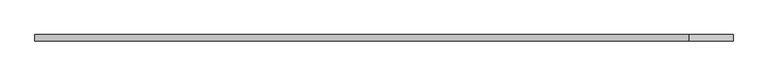
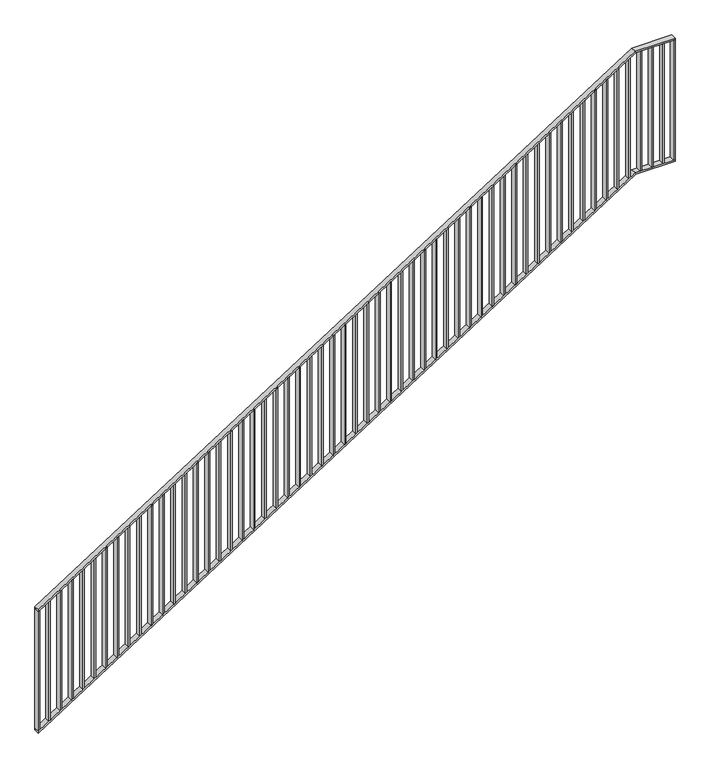
"""IFC4 building model written with IfcOpenShell, lengths in millimetres: railing geometry."""

from ifc_helpers import new_model, si_unit, frame, origin, place, context, project, spatial, polyline, outline, extrude, faceted_brep, source, transform, mapped, element, save


def railing_edb40e4a(model_context):
    return source(origin(), model_context, "Body", "SolidModel", [
        faceted_brep([(20020.0, -14.6, 1178.125), (20020.0, 25.4, 1178.125), (20020.0, 25.4, 1166.2576574), (20020.0, -14.6, 1166.2576574), (24201.25, -14.6, 3850.0), (24201.25, 25.4, 3850.0), (24204.1722273, 25.4, 3840.0), (24204.1722273, -14.6, 3840.0), (24480.0, -14.6, 3850.0), (24480.0, -14.6, 3840.0), (24480.0, 25.4, 3840.0), (24480.0, 25.4, 3850.0)], [[[0, 1, 2, 3]], [[1, 0, 4, 5]], [[2, 1, 5, 6]], [[3, 2, 6, 7]], [[0, 3, 7, 4]], [[8, 9, 10, 11]], [[5, 4, 8, 11]], [[6, 5, 11, 10]], [[7, 6, 10, 9]], [[4, 7, 9, 8]]]),
        faceted_brep([(20020.0, -14.6, 278.125), (20020.0, 25.4, 278.125), (20020.0, 25.4, 266.2576574), (20020.0, -14.6, 266.2576574), (24201.25, -14.6, 2950.0), (24201.25, 25.4, 2950.0), (24204.1722273, 25.4, 2940.0), (24204.1722273, -14.6, 2940.0), (24480.0, -14.6, 2950.0), (24480.0, -14.6, 2940.0), (24480.0, 25.4, 2940.0), (24480.0, 25.4, 2950.0)], [[[0, 1, 2, 3]], [[1, 0, 4, 5]], [[2, 1, 5, 6]], [[3, 2, 6, 7]], [[0, 3, 7, 4]], [[8, 9, 10, 11]], [[5, 4, 8, 11]], [[6, 5, 11, 10]], [[7, 6, 10, 9]], [[4, 7, 9, 8]]]),
        extrude(outline(polyline([(24395.3571429, -14.6), (24395.3571429, 25.4), (24405.3571429, 25.4), (24405.3571429, -14.6), (24395.3571429, -14.6)])), frame((0.0, 0.0, 2950.0), z_axis=(0.0, 0.0, 1.0), x_axis=(1.0, 0.0, 0.0)), (0.0, 0.0, 1.0), 890.0),
        extrude(outline(polyline([(24315.7142857, -14.6), (24315.7142857, 25.4), (24325.7142857, 25.4), (24325.7142857, -14.6), (24315.7142857, -14.6)])), frame((0.0, 0.0, 2950.0), z_axis=(0.0, 0.0, 1.0), x_axis=(1.0, 0.0, 0.0)), (0.0, 0.0, 1.0), 890.0),
        extrude(outline(polyline([(24236.0714286, -14.6), (24236.0714286, 25.4), (24246.0714286, 25.4), (24246.0714286, -14.6), (24236.0714286, -14.6)])), frame((0.0, 0.0, 2950.0), z_axis=(0.0, 0.0, 1.0), x_axis=(1.0, 0.0, 0.0)), (0.0, 0.0, 1.0), 890.0),
        extrude(outline(polyline([(3811.3585042, 24156.4285714), (2921.3585042, 24156.4285714), (2927.7486387, 24166.4285714), (3817.7486387, 24166.4285714), (3811.3585042, 24156.4285714)])), frame((0.0, -14.6, 0.0), z_axis=(0.0, 1.0, 0.0), x_axis=(0.0, 0.0, 1.0)), (0.0, 0.0, 1.0), 40.0),
        extrude(outline(polyline([(3760.465647, 24076.7857143), (2870.465647, 24076.7857143), (2876.8557816, 24086.7857143), (3766.8557816, 24086.7857143), (3760.465647, 24076.7857143)])), frame((0.0, -14.6, 0.0), z_axis=(0.0, 1.0, 0.0), x_axis=(0.0, 0.0, 1.0)), (0.0, 0.0, 1.0), 40.0),
        extrude(outline(polyline([(3709.5727899, 23997.1428571), (2819.5727899, 23997.1428571), (2825.9629244, 24007.1428571), (3715.9629244, 24007.1428571), (3709.5727899, 23997.1428571)])), frame((0.0, -14.6, 0.0), z_axis=(0.0, 1.0, 0.0), x_axis=(0.0, 0.0, 1.0)), (0.0, 0.0, 1.0), 40.0),
        extrude(outline(polyline([(3658.6799327, 23917.5), (2768.6799327, 23917.5), (2775.0700673, 23927.5), (3665.0700673, 23927.5), (3658.6799327, 23917.5)])), frame((0.0, -14.6, 0.0), z_axis=(0.0, 1.0, 0.0), x_axis=(0.0, 0.0, 1.0)), (0.0, 0.0, 1.0), 40.0),
        extrude(outline(polyline([(3607.7870756, 23837.8571429), (2717.7870756, 23837.8571429), (2724.1772101, 23847.8571429), (3614.1772101, 23847.8571429), (3607.7870756, 23837.8571429)])), frame((0.0, -14.6, 0.0), z_axis=(0.0, 1.0, 0.0), x_axis=(0.0, 0.0, 1.0)), (0.0, 0.0, 1.0), 40.0),
        extrude(outline(polyline([(3556.8942184, 23758.2142857), (2666.8942184, 23758.2142857), (2673.284353, 23768.2142857), (3563.284353, 23768.2142857), (3556.8942184, 23758.2142857)])), frame((0.0, -14.6, 0.0), z_axis=(0.0, 1.0, 0.0), x_axis=(0.0, 0.0, 1.0)), (0.0, 0.0, 1.0), 40.0),
        extrude(outline(polyline([(3506.0013613, 23678.5714286), (2616.0013613, 23678.5714286), (2622.3914958, 23688.5714286), (3512.3914958, 23688.5714286), (3506.0013613, 23678.5714286)])), frame((0.0, -14.6, 0.0), z_axis=(0.0, 1.0, 0.0), x_axis=(0.0, 0.0, 1.0)), (0.0, 0.0, 1.0), 40.0),
        extrude(outline(polyline([(3455.1085042, 23598.9285714), (2565.1085042, 23598.9285714), (2571.4986387, 23608.9285714), (3461.4986387, 23608.9285714), (3455.1085042, 23598.9285714)])), frame((0.0, -14.6, 0.0), z_axis=(0.0, 1.0, 0.0), x_axis=(0.0, 0.0, 1.0)), (0.0, 0.0, 1.0), 40.0),
        extrude(outline(polyline([(3404.215647, 23519.2857143), (2514.215647, 23519.2857143), (2520.6057816, 23529.2857143), (3410.6057816, 23529.2857143), (3404.215647, 23519.2857143)])), frame((0.0, -14.6, 0.0), z_axis=(0.0, 1.0, 0.0), x_axis=(0.0, 0.0, 1.0)), (0.0, 0.0, 1.0), 40.0),
        extrude(outline(polyline([(3353.3227899, 23439.6428571), (2463.3227899, 23439.6428571), (2469.7129244, 23449.6428571), (3359.7129244, 23449.6428571), (3353.3227899, 23439.6428571)])), frame((0.0, -14.6, 0.0), z_axis=(0.0, 1.0, 0.0), x_axis=(0.0, 0.0, 1.0)), (0.0, 0.0, 1.0), 40.0),
        extrude(outline(polyline([(3302.4299327, 23360.0), (2412.4299327, 23360.0), (2418.8200673, 23370.0), (3308.8200673, 23370.0), (3302.4299327, 23360.0)])), frame((0.0, -14.6, 0.0), z_axis=(0.0, 1.0, 0.0), x_axis=(0.0, 0.0, 1.0)), (0.0, 0.0, 1.0), 40.0),
        extrude(outline(polyline([(3251.5370756, 23280.3571429), (2361.5370756, 23280.3571429), (2367.9272101, 23290.3571429), (3257.9272101, 23290.3571429), (3251.5370756, 23280.3571429)])), frame((0.0, -14.6, 0.0), z_axis=(0.0, 1.0, 0.0), x_axis=(0.0, 0.0, 1.0)), (0.0, 0.0, 1.0), 40.0),
        extrude(outline(polyline([(3200.6442184, 23200.7142857), (2310.6442184, 23200.7142857), (2317.034353, 23210.7142857), (3207.034353, 23210.7142857), (3200.6442184, 23200.7142857)])), frame((0.0, -14.6, 0.0), z_axis=(0.0, 1.0, 0.0), x_axis=(0.0, 0.0, 1.0)), (0.0, 0.0, 1.0), 40.0),
        extrude(outline(polyline([(3149.7513613, 23121.0714286), (2259.7513613, 23121.0714286), (2266.1414958, 23131.0714286), (3156.1414958, 23131.0714286), (3149.7513613, 23121.0714286)])), frame((0.0, -14.6, 0.0), z_axis=(0.0, 1.0, 0.0), x_axis=(0.0, 0.0, 1.0)), (0.0, 0.0, 1.0), 40.0),
        extrude(outline(polyline([(3098.8585042, 23041.4285714), (2208.8585042, 23041.4285714), (2215.2486387, 23051.4285714), (3105.2486387, 23051.4285714), (3098.8585042, 23041.4285714)])), frame((0.0, -14.6, 0.0), z_axis=(0.0, 1.0, 0.0), x_axis=(0.0, 0.0, 1.0)), (0.0, 0.0, 1.0), 40.0),
        extrude(outline(polyline([(3047.965647, 22961.7857143), (2157.965647, 22961.7857143), (2164.3557816, 22971.7857143), (3054.3557816, 22971.7857143), (3047.965647, 22961.7857143)])), frame((0.0, -14.6, 0.0), z_axis=(0.0, 1.0, 0.0), x_axis=(0.0, 0.0, 1.0)), (0.0, 0.0, 1.0), 40.0),
        extrude(outline(polyline([(2997.0727899, 22882.1428571), (2107.0727899, 22882.1428571), (2113.4629244, 22892.1428571), (3003.4629244, 22892.1428571), (2997.0727899, 22882.1428571)])), frame((0.0, -14.6, 0.0), z_axis=(0.0, 1.0, 0.0), x_axis=(0.0, 0.0, 1.0)), (0.0, 0.0, 1.0), 40.0),
        extrude(outline(polyline([(2946.1799327, 22802.5), (2056.1799327, 22802.5), (2062.5700673, 22812.5), (2952.5700673, 22812.5), (2946.1799327, 22802.5)])), frame((0.0, -14.6, 0.0), z_axis=(0.0, 1.0, 0.0), x_axis=(0.0, 0.0, 1.0)), (0.0, 0.0, 1.0), 40.0),
        extrude(outline(polyline([(2895.2870756, 22722.8571429), (2005.2870756, 22722.8571429), (2011.6772101, 22732.8571429), (2901.6772101, 22732.8571429), (2895.2870756, 22722.8571429)])), frame((0.0, -14.6, 0.0), z_axis=(0.0, 1.0, 0.0), x_axis=(0.0, 0.0, 1.0)), (0.0, 0.0, 1.0), 40.0),
        extrude(outline(polyline([(2844.3942184, 22643.2142857), (1954.3942184, 22643.2142857), (1960.784353, 22653.2142857), (2850.784353, 22653.2142857), (2844.3942184, 22643.2142857)])), frame((0.0, -14.6, 0.0), z_axis=(0.0, 1.0, 0.0), x_axis=(0.0, 0.0, 1.0)), (0.0, 0.0, 1.0), 40.0),
        extrude(outline(polyline([(2793.5013613, 22563.5714286), (1903.5013613, 22563.5714286), (1909.8914958, 22573.5714286), (2799.8914958, 22573.5714286), (2793.5013613, 22563.5714286)])), frame((0.0, -14.6, 0.0), z_axis=(0.0, 1.0, 0.0), x_axis=(0.0, 0.0, 1.0)), (0.0, 0.0, 1.0), 40.0),
        extrude(outline(polyline([(2742.6085042, 22483.9285714), (1852.6085042, 22483.9285714), (1858.9986387, 22493.9285714), (2748.9986387, 22493.9285714), (2742.6085042, 22483.9285714)])), frame((0.0, -14.6, 0.0), z_axis=(0.0, 1.0, 0.0), x_axis=(0.0, 0.0, 1.0)), (0.0, 0.0, 1.0), 40.0),
        extrude(outline(polyline([(2691.715647, 22404.2857143), (1801.715647, 22404.2857143), (1808.1057816, 22414.2857143), (2698.1057816, 22414.2857143), (2691.715647, 22404.2857143)])), frame((0.0, -14.6, 0.0), z_axis=(0.0, 1.0, 0.0), x_axis=(0.0, 0.0, 1.0)), (0.0, 0.0, 1.0), 40.0),
        extrude(outline(polyline([(2640.8227899, 22324.6428571), (1750.8227899, 22324.6428571), (1757.2129244, 22334.6428571), (2647.2129244, 22334.6428571), (2640.8227899, 22324.6428571)])), frame((0.0, -14.6, 0.0), z_axis=(0.0, 1.0, 0.0), x_axis=(0.0, 0.0, 1.0)), (0.0, 0.0, 1.0), 40.0),
        extrude(outline(polyline([(2589.9299327, 22245.0), (1699.9299327, 22245.0), (1706.3200673, 22255.0), (2596.3200673, 22255.0), (2589.9299327, 22245.0)])), frame((0.0, -14.6, 0.0), z_axis=(0.0, 1.0, 0.0), x_axis=(0.0, 0.0, 1.0)), (0.0, 0.0, 1.0), 40.0),
        extrude(outline(polyline([(2539.0370756, 22165.3571429), (1649.0370756, 22165.3571429), (1655.4272101, 22175.3571429), (2545.4272101, 22175.3571429), (2539.0370756, 22165.3571429)])), frame((0.0, -14.6, 0.0), z_axis=(0.0, 1.0, 0.0), x_axis=(0.0, 0.0, 1.0)), (0.0, 0.0, 1.0), 40.0),
        extrude(outline(polyline([(2488.1442184, 22085.7142857), (1598.1442184, 22085.7142857), (1604.534353, 22095.7142857), (2494.534353, 22095.7142857), (2488.1442184, 22085.7142857)])), frame((0.0, -14.6, 0.0), z_axis=(0.0, 1.0, 0.0), x_axis=(0.0, 0.0, 1.0)), (0.0, 0.0, 1.0), 40.0),
        extrude(outline(polyline([(2437.2513613, 22006.0714286), (1547.2513613, 22006.0714286), (1553.6414958, 22016.0714286), (2443.6414958, 22016.0714286), (2437.2513613, 22006.0714286)])), frame((0.0, -14.6, 0.0), z_axis=(0.0, 1.0, 0.0), x_axis=(0.0, 0.0, 1.0)), (0.0, 0.0, 1.0), 40.0),
        extrude(outline(polyline([(2386.3585042, 21926.4285714), (1496.3585042, 21926.4285714), (1502.7486387, 21936.4285714), (2392.7486387, 21936.4285714), (2386.3585042, 21926.4285714)])), frame((0.0, -14.6, 0.0), z_axis=(0.0, 1.0, 0.0), x_axis=(0.0, 0.0, 1.0)), (0.0, 0.0, 1.0), 40.0),
        extrude(outline(polyline([(2335.465647, 21846.7857143), (1445.465647, 21846.7857143), (1451.8557816, 21856.7857143), (2341.8557816, 21856.7857143), (2335.465647, 21846.7857143)])), frame((0.0, -14.6, 0.0), z_axis=(0.0, 1.0, 0.0), x_axis=(0.0, 0.0, 1.0)), (0.0, 0.0, 1.0), 40.0),
        extrude(outline(polyline([(2284.5727899, 21767.1428571), (1394.5727899, 21767.1428571), (1400.9629244, 21777.1428571), (2290.9629244, 21777.1428571), (2284.5727899, 21767.1428571)])), frame((0.0, -14.6, 0.0), z_axis=(0.0, 1.0, 0.0), x_axis=(0.0, 0.0, 1.0)), (0.0, 0.0, 1.0), 40.0),
        extrude(outline(polyline([(2233.6799327, 21687.5), (1343.6799327, 21687.5), (1350.0700673, 21697.5), (2240.0700673, 21697.5), (2233.6799327, 21687.5)])), frame((0.0, -14.6, 0.0), z_axis=(0.0, 1.0, 0.0), x_axis=(0.0, 0.0, 1.0)), (0.0, 0.0, 1.0), 40.0),
        extrude(outline(polyline([(2182.7870756, 21607.8571429), (1292.7870756, 21607.8571429), (1299.1772101, 21617.8571429), (2189.1772101, 21617.8571429), (2182.7870756, 21607.8571429)])), frame((0.0, -14.6, 0.0), z_axis=(0.0, 1.0, 0.0), x_axis=(0.0, 0.0, 1.0)), (0.0, 0.0, 1.0), 40.0),
        extrude(outline(polyline([(2131.8942184, 21528.2142857), (1241.8942184, 21528.2142857), (1248.284353, 21538.2142857), (2138.284353, 21538.2142857), (2131.8942184, 21528.2142857)])), frame((0.0, -14.6, 0.0), z_axis=(0.0, 1.0, 0.0), x_axis=(0.0, 0.0, 1.0)), (0.0, 0.0, 1.0), 40.0),
        extrude(outline(polyline([(2081.0013613, 21448.5714286), (1191.0013613, 21448.5714286), (1197.3914958, 21458.5714286), (2087.3914958, 21458.5714286), (2081.0013613, 21448.5714286)])), frame((0.0, -14.6, 0.0), z_axis=(0.0, 1.0, 0.0), x_axis=(0.0, 0.0, 1.0)), (0.0, 0.0, 1.0), 40.0),
        extrude(outline(polyline([(2030.1085042, 21368.9285714), (1140.1085042, 21368.9285714), (1146.4986387, 21378.9285714), (2036.4986387, 21378.9285714), (2030.1085042, 21368.9285714)])), frame((0.0, -14.6, 0.0), z_axis=(0.0, 1.0, 0.0), x_axis=(0.0, 0.0, 1.0)), (0.0, 0.0, 1.0), 40.0),
        extrude(outline(polyline([(1979.215647, 21289.2857143), (1089.215647, 21289.2857143), (1095.6057816, 21299.2857143), (1985.6057816, 21299.2857143), (1979.215647, 21289.2857143)])), frame((0.0, -14.6, 0.0), z_axis=(0.0, 1.0, 0.0), x_axis=(0.0, 0.0, 1.0)), (0.0, 0.0, 1.0), 40.0),
        extrude(outline(polyline([(1928.3227899, 21209.6428571), (1038.3227899, 21209.6428571), (1044.7129244, 21219.6428571), (1934.7129244, 21219.6428571), (1928.3227899, 21209.6428571)])), frame((0.0, -14.6, 0.0), z_axis=(0.0, 1.0, 0.0), x_axis=(0.0, 0.0, 1.0)), (0.0, 0.0, 1.0), 40.0),
        extrude(outline(polyline([(1877.4299327, 21130.0), (987.4299327, 21130.0), (993.8200673, 21140.0), (1883.8200673, 21140.0), (1877.4299327, 21130.0)])), frame((0.0, -14.6, 0.0), z_axis=(0.0, 1.0, 0.0), x_axis=(0.0, 0.0, 1.0)), (0.0, 0.0, 1.0), 40.0),
        extrude(outline(polyline([(1826.5370756, 21050.3571429), (936.5370756, 21050.3571429), (942.9272101, 21060.3571429), (1832.9272101, 21060.3571429), (1826.5370756, 21050.3571429)])), frame((0.0, -14.6, 0.0), z_axis=(0.0, 1.0, 0.0), x_axis=(0.0, 0.0, 1.0)), (0.0, 0.0, 1.0), 40.0),
        extrude(outline(polyline([(1775.6442184, 20970.7142857), (885.6442184, 20970.7142857), (892.034353, 20980.7142857), (1782.034353, 20980.7142857), (1775.6442184, 20970.7142857)])), frame((0.0, -14.6, 0.0), z_axis=(0.0, 1.0, 0.0), x_axis=(0.0, 0.0, 1.0)), (0.0, 0.0, 1.0), 40.0),
        extrude(outline(polyline([(1724.7513613, 20891.0714286), (834.7513613, 20891.0714286), (841.1414958, 20901.0714286), (1731.1414958, 20901.0714286), (1724.7513613, 20891.0714286)])), frame((0.0, -14.6, 0.0), z_axis=(0.0, 1.0, 0.0), x_axis=(0.0, 0.0, 1.0)), (0.0, 0.0, 1.0), 40.0),
        extrude(outline(polyline([(1673.8585042, 20811.4285714), (783.8585042, 20811.4285714), (790.2486387, 20821.4285714), (1680.2486387, 20821.4285714), (1673.8585042, 20811.4285714)])), frame((0.0, -14.6, 0.0), z_axis=(0.0, 1.0, 0.0), x_axis=(0.0, 0.0, 1.0)), (0.0, 0.0, 1.0), 40.0),
        extrude(outline(polyline([(1622.965647, 20731.7857143), (732.965647, 20731.7857143), (739.3557816, 20741.7857143), (1629.3557816, 20741.7857143), (1622.965647, 20731.7857143)])), frame((0.0, -14.6, 0.0), z_axis=(0.0, 1.0, 0.0), x_axis=(0.0, 0.0, 1.0)), (0.0, 0.0, 1.0), 40.0),
        extrude(outline(polyline([(1572.0727899, 20652.1428571), (682.0727899, 20652.1428571), (688.4629244, 20662.1428571), (1578.4629244, 20662.1428571), (1572.0727899, 20652.1428571)])), frame((0.0, -14.6, 0.0), z_axis=(0.0, 1.0, 0.0), x_axis=(0.0, 0.0, 1.0)), (0.0, 0.0, 1.0), 40.0),
        extrude(outline(polyline([(1521.1799327, 20572.5), (631.1799327, 20572.5), (637.5700673, 20582.5), (1527.5700673, 20582.5), (1521.1799327, 20572.5)])), frame((0.0, -14.6, 0.0), z_axis=(0.0, 1.0, 0.0), x_axis=(0.0, 0.0, 1.0)), (0.0, 0.0, 1.0), 40.0),
        extrude(outline(polyline([(1470.2870756, 20492.8571429), (580.2870756, 20492.8571429), (586.6772101, 20502.8571429), (1476.6772101, 20502.8571429), (1470.2870756, 20492.8571429)])), frame((0.0, -14.6, 0.0), z_axis=(0.0, 1.0, 0.0), x_axis=(0.0, 0.0, 1.0)), (0.0, 0.0, 1.0), 40.0),
        extrude(outline(polyline([(1419.3942184, 20413.2142857), (529.3942184, 20413.2142857), (535.784353, 20423.2142857), (1425.784353, 20423.2142857), (1419.3942184, 20413.2142857)])), frame((0.0, -14.6, 0.0), z_axis=(0.0, 1.0, 0.0), x_axis=(0.0, 0.0, 1.0)), (0.0, 0.0, 1.0), 40.0),
        extrude(outline(polyline([(1368.5013613, 20333.5714286), (478.5013613, 20333.5714286), (484.8914958, 20343.5714286), (1374.8914958, 20343.5714286), (1368.5013613, 20333.5714286)])), frame((0.0, -14.6, 0.0), z_axis=(0.0, 1.0, 0.0), x_axis=(0.0, 0.0, 1.0)), (0.0, 0.0, 1.0), 40.0),
        extrude(outline(polyline([(1317.6085042, 20253.9285714), (427.6085042, 20253.9285714), (433.9986387, 20263.9285714), (1323.9986387, 20263.9285714), (1317.6085042, 20253.9285714)])), frame((0.0, -14.6, 0.0), z_axis=(0.0, 1.0, 0.0), x_axis=(0.0, 0.0, 1.0)), (0.0, 0.0, 1.0), 40.0),
        extrude(outline(polyline([(1266.715647, 20174.2857143), (376.715647, 20174.2857143), (383.1057816, 20184.2857143), (1273.1057816, 20184.2857143), (1266.715647, 20174.2857143)])), frame((0.0, -14.6, 0.0), z_axis=(0.0, 1.0, 0.0), x_axis=(0.0, 0.0, 1.0)), (0.0, 0.0, 1.0), 40.0),
        extrude(outline(polyline([(1215.8227899, 20094.6428571), (325.8227899, 20094.6428571), (332.2129244, 20104.6428571), (1222.2129244, 20104.6428571), (1215.8227899, 20094.6428571)])), frame((0.0, -14.6, 0.0), z_axis=(0.0, 1.0, 0.0), x_axis=(0.0, 0.0, 1.0)), (0.0, 0.0, 1.0), 40.0),
        extrude(outline(polyline([(24470.0, -14.6), (24470.0, 25.4), (24480.0, 25.4), (24480.0, -14.6), (24470.0, -14.6)])), frame((0.0, 0.0, 2950.0), z_axis=(0.0, 0.0, 1.0), x_axis=(1.0, 0.0, 0.0)), (0.0, 0.0, 1.0), 890.0),
        extrude(outline(polyline([(1168.125, 20020.0), (278.125, 20020.0), (284.5151345, 20030.0), (1174.5151345, 20030.0), (1168.125, 20020.0)])), frame((0.0, -14.6, 0.0), z_axis=(0.0, 1.0, 0.0), x_axis=(0.0, 0.0, 1.0)), (0.0, 0.0, 1.0), 40.0),
    ])


if __name__ == "__main__":
    model = new_model("IFC4")
    model_context = context("Model", 3, world=origin())
    ifc_project = project(units=[si_unit("LENGTHUNIT", "METRE", prefix="MILLI")], contexts=[model_context])
    site = spatial("IfcSite", under=ifc_project)
    building = spatial("IfcBuilding", under=site)
    placement = place(None, origin())
    railing_shape = railing_edb40e4a(model_context)
    element("IfcRailing", 1, at=placement, inside=building, context=model_context, shape_type="MappedRepresentation", body=[
        mapped(railing_shape, transform((0.0, 0.0, 0.0), x_axis=(1.0, 0.0, 0.0), y_axis=(0.0, 1.0, 0.0), z_axis=(0.0, 0.0, 1.0))),
    ])
    save(model, "model.ifc")
